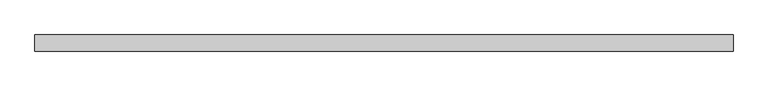
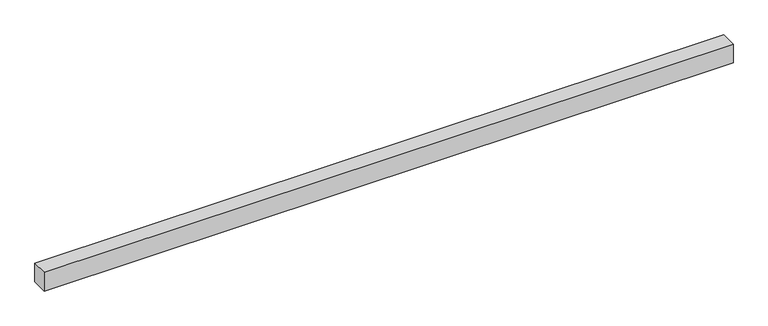
"""IFC4 building model written with IfcOpenShell, lengths in millimetres: proxy geometry."""

from ifc_helpers import new_model, si_unit, frame, origin, place, context, project, spatial, polyline, outline, extrude, source, transform, mapped, element, save


def generic_models_078ac281(model_context):
    return source(origin(), model_context, "Body", "SweptSolid", [
        extrude(outline(polyline([(40.0, 0.0), (-40.0, 0.0), (-40.0, 3464.2640687), (40.0, 3464.2640687), (40.0, 0.0)])), frame((3464.2640687, 0.0, 0.0), z_axis=(0.0, -1.9783474858313244e-12, 1.0), x_axis=(0.0, 1.0, 1.9783474858313244e-12)), (0.0, 0.0, 1.0), 100.0),
    ])


if __name__ == "__main__":
    model = new_model("IFC4")
    model_context = context("Model", 3, world=origin())
    ifc_project = project(units=[si_unit("LENGTHUNIT", "METRE", prefix="MILLI")], contexts=[model_context])
    site = spatial("IfcSite", under=ifc_project)
    building = spatial("IfcBuilding", under=site)
    placement = place(None, origin())
    generic_models_shape = generic_models_078ac281(model_context)
    element("IfcBuildingElementProxy", 1, Name="Generic Models", at=placement, inside=building, context=model_context, shape_type="MappedRepresentation", body=[
        mapped(generic_models_shape, transform((0.0, 0.0, 0.0), x_axis=(1.0, 0.0, 0.0), y_axis=(0.0, 1.0, 0.0), z_axis=(0.0, 0.0, 1.0))),
    ])
    save(model, "model.ifc")
